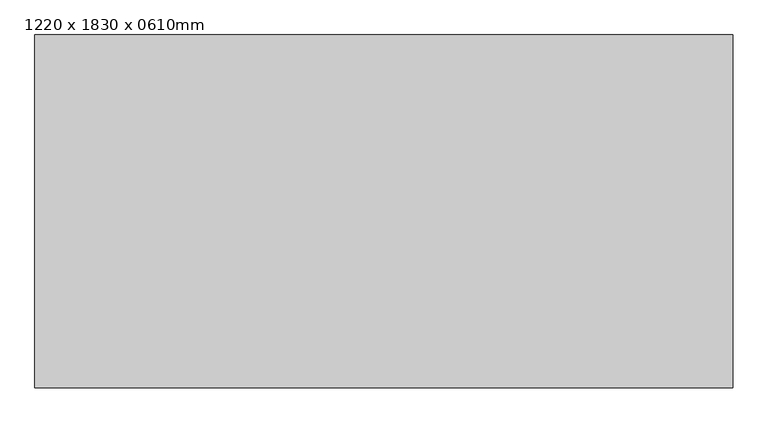
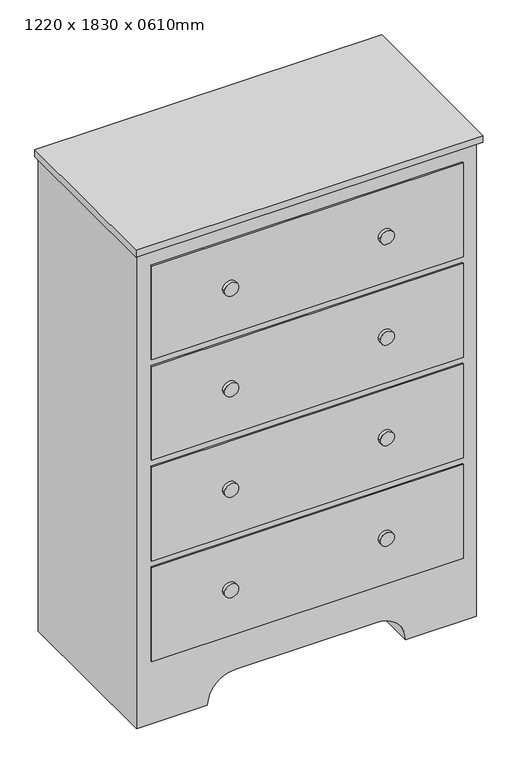
"""IFC4 building model written with IfcOpenShell, lengths in millimetres: furniture geometry, 1220 x 1830 x 0610mm."""

import ifcopenshell
import ifcopenshell.guid

model = None  # the IFC model being written
_history = None  # IfcOwnerHistory: only IFC2X3 demands one
_inside = {}  # id of a spatial element -> (the spatial element, [elements in it])
_under = {}  # id of a project, library or spatial element -> (it, [spatial elements below it])
_declared = {}  # id of a project -> (the project, [libraries it declares])
_typed = {}  # id of a type object -> (the type object, [elements of that type])
_made_of = {}  # id of a material, layer set ... -> (it, [elements and type objects made of it])


def new_model(schema):
    """Start an empty IFC model of exactly this schema.

    Asked for "IFC4X3", IfcOpenShell would pick the latest addendum, in which some entities
    have other attributes; the version numbers below select the first issue.
    IFC2X3 requires an IfcOwnerHistory on every rooted entity: one is made here for all.
    """
    global model, _history
    if schema == "IFC4X3":
        model = ifcopenshell.file(schema_version=(4, 3, 0, 0))
    else:
        model = ifcopenshell.file(schema=schema)
    _inside.clear()
    _under.clear()
    _declared.clear()
    _typed.clear()
    _made_of.clear()
    _history = None
    if model.schema == "IFC2X3":
        org = make("IfcOrganization", Name="unknown")
        user = make(
            "IfcPersonAndOrganization",
            ThePerson=make("IfcPerson", FamilyName="unknown"),
            TheOrganization=org,
        )
        app = make(
            "IfcApplication",
            ApplicationDeveloper=org,
            Version="unknown",
            ApplicationFullName="unknown",
            ApplicationIdentifier="unknown",
        )
        _history = make(
            "IfcOwnerHistory",
            OwningUser=user,
            OwningApplication=app,
            ChangeAction="ADDED",
            CreationDate=0,
        )
    return model


def make(cls, **values):
    """One entity of the class cls with the attributes given. An attribute that is None is left unset."""
    return model.create_entity(
        cls, **{name: value for name, value in values.items() if value is not None}
    )


def rooted(cls, **values):
    """An entity with a GlobalId (a new one), such as an element, a storey or a relation."""
    return make(cls, GlobalId=ifcopenshell.guid.new(), OwnerHistory=_history, **values)


def si_unit(unit_type, name, prefix=None):
    """IfcSIUnit, for example si_unit("LENGTHUNIT", "METRE", prefix="MILLI")."""
    return make("IfcSIUnit", UnitType=unit_type, Prefix=prefix, Name=name)


def assignment(units):
    """IfcUnitAssignment: the units of a project."""
    return None if units is None else make("IfcUnitAssignment", Units=units)


def point(xyz):
    """IfcCartesianPoint."""
    return None if xyz is None else make("IfcCartesianPoint", Coordinates=xyz)


def direction(xyz):
    """IfcDirection."""
    return None if xyz is None else make("IfcDirection", DirectionRatios=xyz)


def frame(location, z_axis=None, x_axis=None):
    """IfcAxis2Placement3D, a coordinate frame: its origin and axes. An axis left out is left unset."""
    return make(
        "IfcAxis2Placement3D",
        Location=point(location),
        Axis=direction(z_axis),
        RefDirection=direction(x_axis),
    )


def frame_2d(location, x_axis=None):
    """IfcAxis2Placement2D, a coordinate frame in the plane: its origin and x axis."""
    return make(
        "IfcAxis2Placement2D", Location=point(location), RefDirection=direction(x_axis)
    )


def origin():
    """The frame at (0, 0, 0) with its axes left unset."""
    return frame((0.0, 0.0, 0.0))


def place(relative_to, where):
    """IfcLocalPlacement: puts the frame where relative to a parent placement (None: the world)."""
    return make(
        "IfcLocalPlacement", PlacementRelTo=relative_to, RelativePlacement=where
    )


def context(
    kind, dimensions, precision=None, world=None, true_north=None, identifier=None
):
    """IfcGeometricRepresentationContext, for example the 3D "Model" context."""
    return make(
        "IfcGeometricRepresentationContext",
        ContextIdentifier=identifier,
        ContextType=kind,
        CoordinateSpaceDimension=dimensions,
        Precision=precision,
        WorldCoordinateSystem=world,
        TrueNorth=true_north,
    )


def project(units=None, contexts=None):
    """IfcProject with its units and contexts."""
    return rooted(
        "IfcProject",
        Name="project",
        RepresentationContexts=contexts,
        UnitsInContext=assignment(units),
    )


def spatial(cls, under=None, at=None, **own):
    """A site, building, storey or space (cls), placed at a placement, below another one or the project."""
    s = rooted(cls, ObjectPlacement=at, **own)
    if under is not None:
        _under.setdefault(under.id(), (under, []))[1].append(s)
    return s


def polyline(points):
    """IfcPolyline through the points."""
    return make("IfcPolyline", Points=[point(p) for p in points])


def circle_curve(where, radius):
    """IfcCircle in the frame where."""
    return make("IfcCircle", Position=where, Radius=radius)


def trimmed(basis, trim1, trim2, sense, master):
    """IfcTrimmedCurve: the piece of a basis curve between two trims."""
    return make(
        "IfcTrimmedCurve",
        BasisCurve=basis,
        Trim1=trim1,
        Trim2=trim2,
        SenseAgreement=sense,
        MasterRepresentation=master,
    )


def segment(curve, same_sense, transition):
    """IfcCompositeCurveSegment."""
    return make(
        "IfcCompositeCurveSegment",
        Transition=transition,
        SameSense=same_sense,
        ParentCurve=curve,
    )


def composite_curve(segments, self_intersect=None):
    """IfcCompositeCurve: segments joined end to end."""
    return make("IfcCompositeCurve", Segments=segments, SelfIntersect=self_intersect)


def outline(outer, holes=None, kind="AREA"):
    """IfcArbitraryClosedProfileDef: a profile drawn as a closed curve; with holes, ...WithVoids."""
    if holes is None:
        return make("IfcArbitraryClosedProfileDef", ProfileType=kind, OuterCurve=outer)
    return make(
        "IfcArbitraryProfileDefWithVoids",
        ProfileType=kind,
        OuterCurve=outer,
        InnerCurves=holes,
    )


def extrude(swept, where, along, depth):
    """IfcExtrudedAreaSolid: the profile swept, set in the frame where, extruded along a direction by depth."""
    return make(
        "IfcExtrudedAreaSolid",
        SweptArea=swept,
        Position=where,
        ExtrudedDirection=direction(along),
        Depth=depth,
    )


def shape(context_of_items, identifier, shape_type, items):
    """IfcShapeRepresentation: the items that make up one representation, for example the "Body"."""
    return make(
        "IfcShapeRepresentation",
        ContextOfItems=context_of_items,
        RepresentationIdentifier=identifier,
        RepresentationType=shape_type,
        Items=items,
    )


def source(mapping_origin, context_of_items, identifier, shape_type, items):
    """IfcRepresentationMap: a shape defined once, which mapped items show again and again."""
    return make(
        "IfcRepresentationMap",
        MappingOrigin=mapping_origin,
        MappedRepresentation=shape(context_of_items, identifier, shape_type, items),
    )


def transform(
    local_origin,
    x_axis=None,
    y_axis=None,
    z_axis=None,
    scale=None,
    scale2=None,
    scale3=None,
    uniform=True,
):
    """IfcCartesianTransformationOperator3D, or its non-uniform kind. x_axis, y_axis, z_axis: its Axis1, 2, 3."""
    if uniform:
        return make(
            "IfcCartesianTransformationOperator3D",
            Axis1=direction(x_axis),
            Axis2=direction(y_axis),
            LocalOrigin=point(local_origin),
            Scale=scale,
            Axis3=direction(z_axis),
        )
    return make(
        "IfcCartesianTransformationOperator3DnonUniform",
        Axis1=direction(x_axis),
        Axis2=direction(y_axis),
        LocalOrigin=point(local_origin),
        Scale=scale,
        Axis3=direction(z_axis),
        Scale2=scale2,
        Scale3=scale3,
    )


def mapped(mapping_source, mapping_target):
    """IfcMappedItem: shows the shape of a source again, moved by a transform."""
    return make(
        "IfcMappedItem", MappingSource=mapping_source, MappingTarget=mapping_target
    )


def made_of(thing, what):
    """Note that an element or type object is made of a material, layer set ...; save() writes the relation."""
    if what is not None:
        _made_of.setdefault(what.id(), (what, []))[1].append(thing)
    return thing


def element(
    cls,
    number,
    at=None,
    inside=None,
    cuts=None,
    type_object=None,
    material=None,
    context=None,
    identifier="Body",
    shape_type=None,
    held_by="IfcProductDefinitionShape",
    body=None,
    shapes=None,
    **own,
):
    """One element of the class cls, such as IfcWall. Its Tag is "e" and its number.

    at: its placement. inside: the storey or other place that contains it. cuts: it is an
    opening in that element (IfcRelVoidsElement). A single representation is given by context,
    identifier, shape_type and body (its items); several are given by shapes. held_by: the class
    of the entity that holds the representations. save() writes the other relations.
    """
    e = rooted(cls, Tag="e%d" % number, ObjectPlacement=at, **own)
    if body is not None:
        shapes = [shape(context, identifier, shape_type, body)]
    if shapes is not None:
        e.Representation = make(held_by, Representations=shapes)
    if inside is not None:
        _inside.setdefault(inside.id(), (inside, []))[1].append(e)
    if cuts is not None:
        rooted(
            "IfcRelVoidsElement", RelatingBuildingElement=cuts, RelatedOpeningElement=e
        )
    if type_object is not None:
        _typed.setdefault(type_object.id(), (type_object, []))[1].append(e)
    return made_of(e, material)


def aggregate(whole, parts):
    """IfcRelAggregates: a whole, such as a stair, and the parts it consists of."""
    return rooted("IfcRelAggregates", RelatingObject=whole, RelatedObjects=parts)


def save(model, path):
    """Write the relations noted so far, then the file.

    IfcRelAggregates (storeys below a building ...), IfcRelContainedInSpatialStructure (elements
    in a storey), IfcRelDefinesByType, IfcRelAssociatesMaterial and IfcRelDeclares: one each for
    every whole, place, type object, material and project.
    """
    for whole, parts in _under.values():
        aggregate(whole, parts)
    for where, things in _inside.values():
        rooted(
            "IfcRelContainedInSpatialStructure",
            RelatedElements=things,
            RelatingStructure=where,
        )
    for kind, things in _typed.values():
        rooted("IfcRelDefinesByType", RelatedObjects=things, RelatingType=kind)
    for what, things in _made_of.values():
        rooted("IfcRelAssociatesMaterial", RelatedObjects=things, RelatingMaterial=what)
    for by, libraries in _declared.values():
        rooted("IfcRelDeclares", RelatingContext=by, RelatedDefinitions=libraries)
    model.write(path)


def furniture_1220_x_1830_x_0610mm_7cb11019(model_context):
    return source(origin(), model_context, "Body", "SweptSolid", [
        extrude(outline(polyline([(353.5067402, -58.1629541), (353.5067402, -687.2129541), (-891.8932598, -687.2129541), (-891.8932598, -58.1629541), (353.5067402, -58.1629541)])), frame((0.0, 0.0, 1804.6), z_axis=(0.0, 0.0, 1.0), x_axis=(1.0, 0.0, 0.0)), (0.0, 0.0, 1.0), 25.4),
        extrude(outline(composite_curve([segment(polyline([(0.0, 340.8067402), (1804.6, 340.8067402), (1804.6, -879.1932598), (0.0, -879.1932598), (0.0, -625.1932598)]), True, "CONTINUOUS"), segment(trimmed(circle_curve(frame_2d((0.0, -523.5932598)), 101.6), [point((0.0, -625.1932598))], [point((101.6, -523.5932598))], True, "CARTESIAN"), True, "CONTINUOUS"), segment(polyline([(101.6, -523.5932598), (101.6, -14.7932598)]), True, "CONTINUOUS"), segment(trimmed(circle_curve(frame_2d((0.0, -14.7932598)), 101.6), [point((101.6, -14.7932598))], [point((0.0, 86.8067402))], True, "CARTESIAN"), True, "CONTINUOUS"), segment(polyline([(0.0, 86.8067402), (0.0, 340.8067402)]), True, "CONTINUOUS")], self_intersect=False)), frame((0.0, -668.1629541, 0.0), z_axis=(0.0, 1.0, 0.0), x_axis=(0.0, 0.0, 1.0)), (0.0, 0.0, 1.0), 610.0),
        extrude(outline(composite_curve([segment(trimmed(circle_curve(frame_2d((1563.15, 10.4067402)), 25.4), [point((1563.15, -14.9932598))], [point((1563.15, 35.8067402))], False, "CARTESIAN"), True, "CONTINUOUS"), segment(trimmed(circle_curve(frame_2d((1563.15, 10.4067402)), 25.4), [point((1563.15, 35.8067402))], [point((1563.15, -14.9932598))], False, "CARTESIAN"), True, "CONTINUOUS")], self_intersect=False)), frame((0.0, -687.2129541, 0.0), z_axis=(0.0, 1.0, 0.0), x_axis=(0.0, 0.0, 1.0)), (0.0, 0.0, 1.0), 12.7),
        extrude(outline(composite_curve([segment(trimmed(circle_curve(frame_2d((1181.85, 10.4067402)), 25.4), [point((1181.85, -14.9932598))], [point((1181.85, 35.8067402))], False, "CARTESIAN"), True, "CONTINUOUS"), segment(trimmed(circle_curve(frame_2d((1181.85, 10.4067402)), 25.4), [point((1181.85, 35.8067402))], [point((1181.85, -14.9932598))], False, "CARTESIAN"), True, "CONTINUOUS")], self_intersect=False)), frame((0.0, -687.2129541, 0.0), z_axis=(0.0, 1.0, 0.0), x_axis=(0.0, 0.0, 1.0)), (0.0, 0.0, 1.0), 12.7),
        extrude(outline(composite_curve([segment(trimmed(circle_curve(frame_2d((800.55, 10.4067402)), 25.4), [point((800.55, -14.9932598))], [point((800.55, 35.8067402))], False, "CARTESIAN"), True, "CONTINUOUS"), segment(trimmed(circle_curve(frame_2d((800.55, 10.4067402)), 25.4), [point((800.55, 35.8067402))], [point((800.55, -14.9932598))], False, "CARTESIAN"), True, "CONTINUOUS")], self_intersect=False)), frame((0.0, -687.2129541, 0.0), z_axis=(0.0, 1.0, 0.0), x_axis=(0.0, 0.0, 1.0)), (0.0, 0.0, 1.0), 12.7),
        extrude(outline(composite_curve([segment(trimmed(circle_curve(frame_2d((419.25, 10.4067402)), 25.4), [point((419.25, -14.9932598))], [point((419.25, 35.8067402))], False, "CARTESIAN"), True, "CONTINUOUS"), segment(trimmed(circle_curve(frame_2d((419.25, 10.4067402)), 25.4), [point((419.25, 35.8067402))], [point((419.25, -14.9932598))], False, "CARTESIAN"), True, "CONTINUOUS")], self_intersect=False)), frame((0.0, -687.2129541, 0.0), z_axis=(0.0, 1.0, 0.0), x_axis=(0.0, 0.0, 1.0)), (0.0, 0.0, 1.0), 12.7),
        extrude(outline(composite_curve([segment(trimmed(circle_curve(frame_2d((419.25, -548.7932598)), 25.4), [point((419.25, -574.1932598))], [point((419.25, -523.3932598))], False, "CARTESIAN"), True, "CONTINUOUS"), segment(trimmed(circle_curve(frame_2d((419.25, -548.7932598)), 25.4), [point((419.25, -523.3932598))], [point((419.25, -574.1932598))], False, "CARTESIAN"), True, "CONTINUOUS")], self_intersect=False)), frame((0.0, -687.2129541, 0.0), z_axis=(0.0, 1.0, 0.0), x_axis=(0.0, 0.0, 1.0)), (0.0, 0.0, 1.0), 12.7),
        extrude(outline(composite_curve([segment(trimmed(circle_curve(frame_2d((800.55, -548.7932598)), 25.4), [point((800.55, -574.1932598))], [point((800.55, -523.3932598))], False, "CARTESIAN"), True, "CONTINUOUS"), segment(trimmed(circle_curve(frame_2d((800.55, -548.7932598)), 25.4), [point((800.55, -523.3932598))], [point((800.55, -574.1932598))], False, "CARTESIAN"), True, "CONTINUOUS")], self_intersect=False)), frame((0.0, -687.2129541, 0.0), z_axis=(0.0, 1.0, 0.0), x_axis=(0.0, 0.0, 1.0)), (0.0, 0.0, 1.0), 12.7),
        extrude(outline(composite_curve([segment(trimmed(circle_curve(frame_2d((1181.85, -548.7932598)), 25.4), [point((1181.85, -574.1932598))], [point((1181.85, -523.3932598))], False, "CARTESIAN"), True, "CONTINUOUS"), segment(trimmed(circle_curve(frame_2d((1181.85, -548.7932598)), 25.4), [point((1181.85, -523.3932598))], [point((1181.85, -574.1932598))], False, "CARTESIAN"), True, "CONTINUOUS")], self_intersect=False)), frame((0.0, -687.2129541, 0.0), z_axis=(0.0, 1.0, 0.0), x_axis=(0.0, 0.0, 1.0)), (0.0, 0.0, 1.0), 12.7),
        extrude(outline(composite_curve([segment(trimmed(circle_curve(frame_2d((1563.15, -548.7932598)), 25.4), [point((1563.15, -574.1932598))], [point((1563.15, -523.3932598))], False, "CARTESIAN"), True, "CONTINUOUS"), segment(trimmed(circle_curve(frame_2d((1563.15, -548.7932598)), 25.4), [point((1563.15, -523.3932598))], [point((1563.15, -574.1932598))], False, "CARTESIAN"), True, "CONTINUOUS")], self_intersect=False)), frame((0.0, -687.2129541, 0.0), z_axis=(0.0, 1.0, 0.0), x_axis=(0.0, 0.0, 1.0)), (0.0, 0.0, 1.0), 12.7),
        extrude(outline(polyline([(290.0067402, -674.5129541), (-828.3932598, -674.5129541), (-828.3932598, -668.1629541), (290.0067402, -668.1629541), (290.0067402, -674.5129541)])), frame((0.0, 0.0, 1385.2), z_axis=(0.0, 0.0, 1.0), x_axis=(1.0, 0.0, 0.0)), (0.0, 0.0, 1.0), 355.9),
        extrude(outline(polyline([(290.0067402, -674.5129541), (-828.3932598, -674.5129541), (-828.3932598, -668.1629541), (290.0067402, -668.1629541), (290.0067402, -674.5129541)])), frame((0.0, 0.0, 1003.9), z_axis=(0.0, 0.0, 1.0), x_axis=(1.0, 0.0, 0.0)), (0.0, 0.0, 1.0), 355.9),
        extrude(outline(polyline([(290.0067402, -674.5129541), (-828.3932598, -674.5129541), (-828.3932598, -668.1629541), (290.0067402, -668.1629541), (290.0067402, -674.5129541)])), frame((0.0, 0.0, 622.6), z_axis=(0.0, 0.0, 1.0), x_axis=(1.0, 0.0, 0.0)), (0.0, 0.0, 1.0), 355.9),
        extrude(outline(polyline([(290.0067402, -674.5129541), (-828.3932598, -674.5129541), (-828.3932598, -668.1629541), (290.0067402, -668.1629541), (290.0067402, -674.5129541)])), frame((0.0, 0.0, 241.3), z_axis=(0.0, 0.0, 1.0), x_axis=(1.0, 0.0, 0.0)), (0.0, 0.0, 1.0), 355.9),
    ])


if __name__ == "__main__":
    model = new_model("IFC4")
    model_context = context("Model", 3, world=origin())
    ifc_project = project(units=[si_unit("LENGTHUNIT", "METRE", prefix="MILLI")], contexts=[model_context])
    site = spatial("IfcSite", under=ifc_project)
    building = spatial("IfcBuilding", under=site)
    placement = place(None, origin())
    furniture_1220_x_1830_x_0610mm_shape = furniture_1220_x_1830_x_0610mm_7cb11019(model_context)
    element("IfcFurniture", 1, ObjectType="1220 x 1830 x 0610mm", at=placement, inside=building, context=model_context, shape_type="MappedRepresentation", body=[
        mapped(furniture_1220_x_1830_x_0610mm_shape, transform((0.0, 0.0, 0.0), x_axis=(1.0, 0.0, 0.0), y_axis=(0.0, 1.0, 0.0), z_axis=(0.0, 0.0, 1.0))),
    ])
    save(model, "model.ifc")
